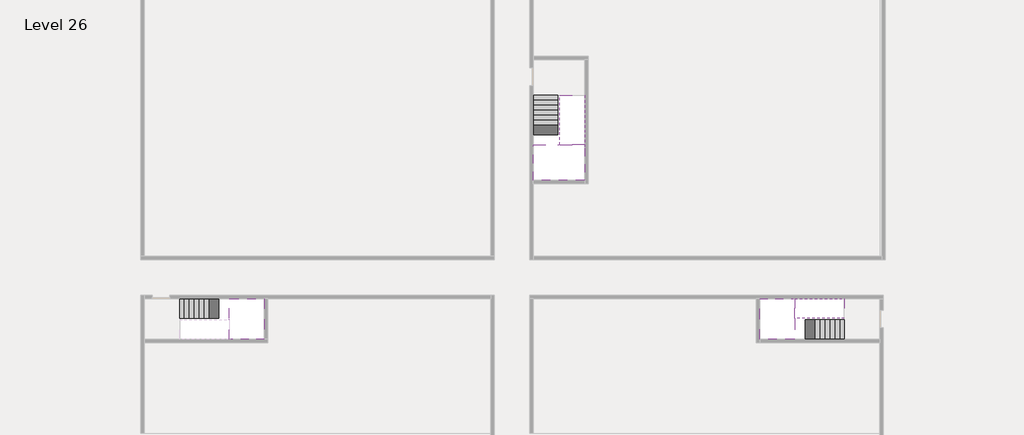
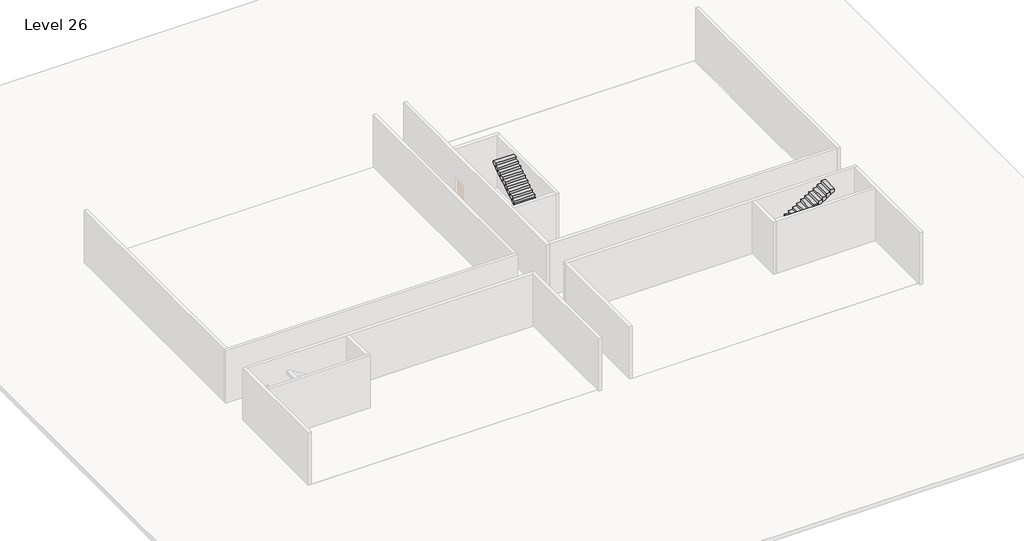
# One storey, part 2 of 2: 5 stair flights, 3 slabs.
"""IFC4 building model written with IfcOpenShell, lengths in millimetres."""

from ifc_helpers import new_model, si_unit, origin, place, context, project, spatial, faceted_brep, element, save

model = new_model("IFC4")

# Units and contexts
model_context = context("Model", 3, world=origin())
ifc_project = project(units=[si_unit("LENGTHUNIT", "METRE", prefix="MILLI")], contexts=[model_context])

# Site, building, storey
site = spatial("IfcSite", under=ifc_project)
building = spatial("IfcBuilding", under=site)
storey = spatial("IfcBuildingStorey", under=building, Name="Level 26", Elevation=95000.0)

# Slabs
placement = place(None, origin())
element("IfcSlab", 1, at=placement, inside=storey, context=model_context, shape_type="Brep", body=[
    faceted_brep([(8190.1058784, -42918.09644, 96900.0), (8190.1058784, -44018.09644, 96900.0), (8190.1058784, -44118.09644, 96900.0), (8190.1058784, -45218.09644, 96900.0), (8390.7194421, -45218.09644, 96900.0), (10190.1058784, -45218.09644, 96900.0), (10190.1058784, -42918.09644, 96900.0), (8269.4923146, -42918.09644, 96900.0), (8190.1058784, -42918.09644, 96727.2727273), (8190.1058784, -42918.09644, 96551.0278478), (8190.1058784, -44018.09644, 96551.0278478), (8190.1058784, -44018.09644, 96600.0), (8190.1058784, -44118.09644, 96600.0), (8190.1058784, -44118.09644, 96723.7551205), (8190.1058784, -45218.09644, 96723.7551205), (8390.7194421, -45218.09644, 96600.0), (10190.1058784, -45218.09644, 96600.0), (10190.1058784, -42918.09644, 96600.0), (8269.4923146, -42918.09644, 96600.0), (8390.7194421, -44118.09644, 96600.0), (8269.4923146, -44018.09644, 96600.0)], [[[0, 1, 2, 3, 4, 5, 6, 7]], [[1, 0, 8, 9, 10, 11]], [[2, 1, 11, 12, 13]], [[3, 2, 13, 14]], [[3, 14, 15, 16, 5, 4]], [[6, 5, 16, 17]], [[9, 8, 0, 7, 6, 17, 18]], [[19, 12, 11, 20, 18, 17, 16, 15]], [[12, 19, 13]], [[18, 20, 10, 9]], [[20, 11, 10]], [[19, 15, 14, 13]]]),
])
element("IfcSlab", 2, at=placement, inside=storey, context=model_context, shape_type="Brep", body=[
    faceted_brep([(40190.1058784, -45218.09644, 96900.0), (40190.1058784, -44118.09644, 96900.0), (40190.1058784, -44018.09644, 96900.0), (40190.1058784, -42918.09644, 96900.0), (39989.4923146, -42918.09644, 96900.0), (38190.1058784, -42918.09644, 96900.0), (38190.1058784, -45218.09644, 96900.0), (40110.7194421, -45218.09644, 96900.0), (40190.1058784, -45218.09644, 96727.2727273), (40190.1058784, -45218.09644, 96551.0278478), (40190.1058784, -44118.09644, 96551.0278478), (40190.1058784, -44118.09644, 96600.0), (40190.1058784, -44018.09644, 96600.0), (40190.1058784, -44018.09644, 96723.7551205), (40190.1058784, -42918.09644, 96723.7551205), (39989.4923146, -42918.09644, 96600.0), (38190.1058784, -42918.09644, 96600.0), (38190.1058784, -45218.09644, 96600.0), (40110.7194421, -45218.09644, 96600.0), (39989.4923146, -44018.09644, 96600.0), (40110.7194421, -44118.09644, 96600.0)], [[[0, 1, 2, 3, 4, 5, 6, 7]], [[1, 0, 8, 9, 10, 11]], [[2, 1, 11, 12, 13]], [[3, 2, 13, 14]], [[3, 14, 15, 16, 5, 4]], [[6, 5, 16, 17]], [[9, 8, 0, 7, 6, 17, 18]], [[19, 12, 11, 20, 18, 17, 16, 15]], [[12, 19, 13]], [[18, 20, 10, 9]], [[20, 11, 10]], [[19, 15, 14, 13]]]),
])
element("IfcSlab", 3, at=placement, inside=storey, context=model_context, shape_type="Brep", body=[
    faceted_brep([(26790.1058784, -34218.09644, 96900.0), (25390.1058784, -34218.09644, 96900.0), (25390.1058784, -34297.4828763, 96900.0), (25390.1058784, -36218.09644, 96900.0), (28290.1058784, -36218.09644, 96900.0), (28290.1058784, -34418.7100038, 96900.0), (28290.1058784, -34218.09644, 96900.0), (26890.1058784, -34218.09644, 96900.0), (26790.1058784, -34218.09644, 96600.0), (26790.1058784, -34218.09644, 96551.0278478), (25390.1058784, -34218.09644, 96551.0278478), (25390.1058784, -34218.09644, 96727.2727273), (25390.1058784, -34297.4828763, 96600.0), (25390.1058784, -36218.09644, 96600.0), (28290.1058784, -36218.09644, 96600.0), (28290.1058784, -34418.7100038, 96600.0), (28290.1058784, -34218.09644, 96723.7551205), (26890.1058784, -34218.09644, 96723.7551205), (26890.1058784, -34218.09644, 96600.0), (26890.1058784, -34418.7100038, 96600.0), (26790.1058784, -34297.4828763, 96600.0)], [[[0, 1, 2, 3, 4, 5, 6, 7]], [[1, 0, 8, 9, 10, 11]], [[1, 11, 10, 12, 13, 3, 2]], [[4, 3, 13, 14]], [[4, 14, 15, 16, 6, 5]], [[7, 6, 16, 17]], [[0, 7, 17, 18, 8]], [[18, 19, 15, 14, 13, 12, 20, 8]], [[19, 18, 17]], [[20, 12, 10, 9]], [[8, 20, 9]], [[15, 19, 17, 16]]]),
])

# Stair flights
element("IfcStairFlight", 4, at=placement, inside=storey, context=model_context, shape_type="Brep", body=[
    faceted_brep([(5670.1058784, -42918.09644, 95172.7272727), (5390.1058784, -42918.09644, 95172.7272727), (5390.1058784, -44018.09644, 95172.7272727), (5670.1058784, -44018.09644, 95172.7272727), (5670.1058784, -42918.09644, 95000.0), (5390.1058784, -42918.09644, 95000.0), (5390.1058784, -44018.09644, 95000.0), (5670.1058784, -44018.09644, 95000.0), (5950.1058784, -42918.09644, 95345.4545455), (5670.1058784, -42918.09644, 95345.4545455), (5670.1058784, -44018.09644, 95345.4545455), (5950.1058784, -44018.09644, 95345.4545455), (5950.1058784, -42918.09644, 95169.209666), (5675.8081041, -42918.09644, 95000.0), (5675.8081041, -44018.09644, 95000.0), (5950.1058784, -44018.09644, 95169.209666), (6230.1058784, -42918.09644, 95518.1818182), (5950.1058784, -42918.09644, 95518.1818182), (5950.1058784, -44018.09644, 95518.1818182), (6230.1058784, -44018.09644, 95518.1818182), (6230.1058784, -42918.09644, 95341.9369387), (6230.1058784, -44018.09644, 95341.9369387), (6510.1058784, -42918.09644, 95690.9090909), (6230.1058784, -42918.09644, 95690.9090909), (6230.1058784, -44018.09644, 95690.9090909), (6510.1058784, -44018.09644, 95690.9090909), (6510.1058784, -42918.09644, 95514.6642114), (6510.1058784, -44018.09644, 95514.6642114), (6790.1058784, -42918.09644, 95863.6363636), (6510.1058784, -42918.09644, 95863.6363636), (6510.1058784, -44018.09644, 95863.6363636), (6790.1058784, -44018.09644, 95863.6363636), (6790.1058784, -42918.09644, 95687.3914841), (6790.1058784, -44018.09644, 95687.3914841), (7070.1058784, -42918.09644, 96036.3636364), (6790.1058784, -42918.09644, 96036.3636364), (6790.1058784, -44018.09644, 96036.3636364), (7070.1058784, -44018.09644, 96036.3636364), (7070.1058784, -42918.09644, 95860.1187569), (7070.1058784, -44018.09644, 95860.1187569), (7350.1058784, -42918.09644, 96209.0909091), (7070.1058784, -42918.09644, 96209.0909091), (7070.1058784, -44018.09644, 96209.0909091), (7350.1058784, -44018.09644, 96209.0909091), (7350.1058784, -42918.09644, 96032.8460296), (7350.1058784, -44018.09644, 96032.8460296), (7630.1058784, -42918.09644, 96381.8181818), (7350.1058784, -42918.09644, 96381.8181818), (7350.1058784, -44018.09644, 96381.8181818), (7630.1058784, -44018.09644, 96381.8181818), (7630.1058784, -42918.09644, 96205.5733023), (7630.1058784, -44018.09644, 96205.5733023), (7910.1058784, -42918.09644, 96554.5454545), (7630.1058784, -42918.09644, 96554.5454545), (7630.1058784, -44018.09644, 96554.5454545), (7910.1058784, -44018.09644, 96554.5454545), (7910.1058784, -42918.09644, 96378.3005751), (7910.1058784, -44018.09644, 96378.3005751), (8190.1058784, -42918.09644, 96727.2727273), (7910.1058784, -42918.09644, 96727.2727273), (7910.1058784, -44018.09644, 96727.2727273), (8190.1058784, -44018.09644, 96727.2727273), (8190.1058784, -42918.09644, 96551.0278478), (8190.1058784, -44018.09644, 96551.0278478), (8190.1058784, -44018.09644, 96600.0)], [[[0, 1, 2, 3]], [[1, 0, 4, 5]], [[2, 1, 5, 6]], [[3, 2, 6, 7]], [[8, 9, 10, 11]], [[4, 0, 9, 8, 12, 13]], [[0, 3, 10, 9]], [[3, 7, 14, 15, 11, 10]], [[16, 17, 18, 19]], [[17, 16, 20, 12, 8]], [[8, 11, 18, 17]], [[19, 18, 11, 15, 21]], [[22, 23, 24, 25]], [[23, 22, 26, 20, 16]], [[16, 19, 24, 23]], [[25, 24, 19, 21, 27]], [[28, 29, 30, 31]], [[29, 28, 32, 26, 22]], [[22, 25, 30, 29]], [[31, 30, 25, 27, 33]], [[34, 35, 36, 37]], [[35, 34, 38, 32, 28]], [[28, 31, 36, 35]], [[37, 36, 31, 33, 39]], [[40, 41, 42, 43]], [[41, 40, 44, 38, 34]], [[34, 37, 42, 41]], [[43, 42, 37, 39, 45]], [[46, 47, 48, 49]], [[47, 46, 50, 44, 40]], [[40, 43, 48, 47]], [[49, 48, 43, 45, 51]], [[52, 53, 54, 55]], [[53, 52, 56, 50, 46]], [[46, 49, 54, 53]], [[55, 54, 49, 51, 57]], [[58, 59, 60, 61]], [[59, 58, 62, 56, 52]], [[52, 55, 60, 59]], [[61, 60, 55, 57, 63, 64]], [[58, 61, 64, 63, 62]], [[5, 4, 13, 14, 7, 6]], [[14, 13, 12, 20, 26, 32, 38, 44, 50, 56, 62, 63, 57, 51, 45, 39, 33, 27, 21, 15]]]),
])
element("IfcStairFlight", 5, at=placement, inside=storey, context=model_context, shape_type="Brep", body=[
    faceted_brep([(42710.1058784, -45218.09644, 95172.7272727), (42990.1058784, -45218.09644, 95172.7272727), (42990.1058784, -44118.09644, 95172.7272727), (42710.1058784, -44118.09644, 95172.7272727), (42710.1058784, -45218.09644, 95000.0), (42990.1058784, -45218.09644, 95000.0), (42990.1058784, -44118.09644, 95000.0), (42710.1058784, -44118.09644, 95000.0), (42430.1058784, -45218.09644, 95345.4545455), (42710.1058784, -45218.09644, 95345.4545455), (42710.1058784, -44118.09644, 95345.4545455), (42430.1058784, -44118.09644, 95345.4545455), (42430.1058784, -45218.09644, 95169.209666), (42704.4036527, -45218.09644, 95000.0), (42704.4036527, -44118.09644, 95000.0), (42430.1058784, -44118.09644, 95169.209666), (42150.1058784, -45218.09644, 95518.1818182), (42430.1058784, -45218.09644, 95518.1818182), (42430.1058784, -44118.09644, 95518.1818182), (42150.1058784, -44118.09644, 95518.1818182), (42150.1058784, -45218.09644, 95341.9369387), (42150.1058784, -44118.09644, 95341.9369387), (41870.1058784, -45218.09644, 95690.9090909), (42150.1058784, -45218.09644, 95690.9090909), (42150.1058784, -44118.09644, 95690.9090909), (41870.1058784, -44118.09644, 95690.9090909), (41870.1058784, -45218.09644, 95514.6642114), (41870.1058784, -44118.09644, 95514.6642114), (41590.1058784, -45218.09644, 95863.6363636), (41870.1058784, -45218.09644, 95863.6363636), (41870.1058784, -44118.09644, 95863.6363636), (41590.1058784, -44118.09644, 95863.6363636), (41590.1058784, -45218.09644, 95687.3914841), (41590.1058784, -44118.09644, 95687.3914841), (41310.1058784, -45218.09644, 96036.3636364), (41590.1058784, -45218.09644, 96036.3636364), (41590.1058784, -44118.09644, 96036.3636364), (41310.1058784, -44118.09644, 96036.3636364), (41310.1058784, -45218.09644, 95860.1187569), (41310.1058784, -44118.09644, 95860.1187569), (41030.1058784, -45218.09644, 96209.0909091), (41310.1058784, -45218.09644, 96209.0909091), (41310.1058784, -44118.09644, 96209.0909091), (41030.1058784, -44118.09644, 96209.0909091), (41030.1058784, -45218.09644, 96032.8460296), (41030.1058784, -44118.09644, 96032.8460296), (40750.1058784, -45218.09644, 96381.8181818), (41030.1058784, -45218.09644, 96381.8181818), (41030.1058784, -44118.09644, 96381.8181818), (40750.1058784, -44118.09644, 96381.8181818), (40750.1058784, -45218.09644, 96205.5733023), (40750.1058784, -44118.09644, 96205.5733023), (40470.1058784, -45218.09644, 96554.5454545), (40750.1058784, -45218.09644, 96554.5454545), (40750.1058784, -44118.09644, 96554.5454545), (40470.1058784, -44118.09644, 96554.5454545), (40470.1058784, -45218.09644, 96378.3005751), (40470.1058784, -44118.09644, 96378.3005751), (40190.1058784, -45218.09644, 96727.2727273), (40470.1058784, -45218.09644, 96727.2727273), (40470.1058784, -44118.09644, 96727.2727273), (40190.1058784, -44118.09644, 96727.2727273), (40190.1058784, -45218.09644, 96551.0278478), (40190.1058784, -44118.09644, 96551.0278478), (40190.1058784, -44118.09644, 96600.0)], [[[0, 1, 2, 3]], [[1, 0, 4, 5]], [[2, 1, 5, 6]], [[3, 2, 6, 7]], [[8, 9, 10, 11]], [[4, 0, 9, 8, 12, 13]], [[0, 3, 10, 9]], [[3, 7, 14, 15, 11, 10]], [[16, 17, 18, 19]], [[17, 16, 20, 12, 8]], [[8, 11, 18, 17]], [[19, 18, 11, 15, 21]], [[22, 23, 24, 25]], [[23, 22, 26, 20, 16]], [[16, 19, 24, 23]], [[25, 24, 19, 21, 27]], [[28, 29, 30, 31]], [[29, 28, 32, 26, 22]], [[22, 25, 30, 29]], [[31, 30, 25, 27, 33]], [[34, 35, 36, 37]], [[35, 34, 38, 32, 28]], [[28, 31, 36, 35]], [[37, 36, 31, 33, 39]], [[40, 41, 42, 43]], [[41, 40, 44, 38, 34]], [[34, 37, 42, 41]], [[43, 42, 37, 39, 45]], [[46, 47, 48, 49]], [[47, 46, 50, 44, 40]], [[40, 43, 48, 47]], [[49, 48, 43, 45, 51]], [[52, 53, 54, 55]], [[53, 52, 56, 50, 46]], [[46, 49, 54, 53]], [[55, 54, 49, 51, 57]], [[58, 59, 60, 61]], [[59, 58, 62, 56, 52]], [[52, 55, 60, 59]], [[61, 60, 55, 57, 63, 64]], [[58, 61, 64, 63, 62]], [[5, 4, 13, 14, 7, 6]], [[14, 13, 12, 20, 26, 32, 38, 44, 50, 56, 62, 63, 57, 51, 45, 39, 33, 27, 21, 15]]]),
])
element("IfcStairFlight", 6, at=placement, inside=storey, context=model_context, shape_type="Brep", body=[
    faceted_brep([(40470.1058784, -42918.09644, 97072.7272727), (40190.1058784, -42918.09644, 97072.7272727), (40190.1058784, -44018.09644, 97072.7272727), (40470.1058784, -44018.09644, 97072.7272727), (40470.1058784, -42918.09644, 96896.4823932), (40190.1058784, -42918.09644, 96723.7551205), (40190.1058784, -42918.09644, 96900.0), (40190.1058784, -44018.09644, 96723.7551205), (40470.1058784, -44018.09644, 96896.4823932), (40750.1058784, -42918.09644, 97245.4545455), (40470.1058784, -42918.09644, 97245.4545455), (40470.1058784, -44018.09644, 97245.4545455), (40750.1058784, -44018.09644, 97245.4545455), (40750.1058784, -42918.09644, 97069.209666), (40750.1058784, -44018.09644, 97069.209666), (41030.1058784, -42918.09644, 97418.1818182), (40750.1058784, -42918.09644, 97418.1818182), (40750.1058784, -44018.09644, 97418.1818182), (41030.1058784, -44018.09644, 97418.1818182), (41030.1058784, -42918.09644, 97241.9369387), (41030.1058784, -44018.09644, 97241.9369387), (41310.1058784, -42918.09644, 97590.9090909), (41030.1058784, -42918.09644, 97590.9090909), (41030.1058784, -44018.09644, 97590.9090909), (41310.1058784, -44018.09644, 97590.9090909), (41310.1058784, -42918.09644, 97414.6642114), (41310.1058784, -44018.09644, 97414.6642114), (41590.1058784, -42918.09644, 97763.6363636), (41310.1058784, -42918.09644, 97763.6363636), (41310.1058784, -44018.09644, 97763.6363636), (41590.1058784, -44018.09644, 97763.6363636), (41590.1058784, -42918.09644, 97587.3914841), (41590.1058784, -44018.09644, 97587.3914841), (41870.1058784, -42918.09644, 97936.3636364), (41590.1058784, -42918.09644, 97936.3636364), (41590.1058784, -44018.09644, 97936.3636364), (41870.1058784, -44018.09644, 97936.3636364), (41870.1058784, -42918.09644, 97760.1187569), (41870.1058784, -44018.09644, 97760.1187569), (42150.1058784, -42918.09644, 98109.0909091), (41870.1058784, -42918.09644, 98109.0909091), (41870.1058784, -44018.09644, 98109.0909091), (42150.1058784, -44018.09644, 98109.0909091), (42150.1058784, -42918.09644, 97932.8460296), (42150.1058784, -44018.09644, 97932.8460296), (42430.1058784, -42918.09644, 98281.8181818), (42150.1058784, -42918.09644, 98281.8181818), (42150.1058784, -44018.09644, 98281.8181818), (42430.1058784, -44018.09644, 98281.8181818), (42430.1058784, -42918.09644, 98105.5733023), (42430.1058784, -44018.09644, 98105.5733023), (42710.1058784, -42918.09644, 98454.5454545), (42430.1058784, -42918.09644, 98454.5454545), (42430.1058784, -44018.09644, 98454.5454545), (42710.1058784, -44018.09644, 98454.5454545), (42710.1058784, -42918.09644, 98278.3005751), (42710.1058784, -44018.09644, 98278.3005751), (42990.1058784, -42918.09644, 98627.2727273), (42710.1058784, -42918.09644, 98627.2727273), (42710.1058784, -44018.09644, 98627.2727273), (42990.1058784, -44018.09644, 98627.2727273), (42990.1058784, -42918.09644, 98451.0278478), (42990.1058784, -44018.09644, 98451.0278478)], [[[0, 1, 2, 3]], [[1, 0, 4, 5, 6]], [[2, 1, 6, 5, 7]], [[3, 2, 7, 8]], [[9, 10, 11, 12]], [[10, 9, 13, 4, 0]], [[11, 10, 0, 3]], [[12, 11, 3, 8, 14]], [[15, 16, 17, 18]], [[16, 15, 19, 13, 9]], [[17, 16, 9, 12]], [[18, 17, 12, 14, 20]], [[21, 22, 23, 24]], [[22, 21, 25, 19, 15]], [[23, 22, 15, 18]], [[24, 23, 18, 20, 26]], [[27, 28, 29, 30]], [[28, 27, 31, 25, 21]], [[29, 28, 21, 24]], [[30, 29, 24, 26, 32]], [[33, 34, 35, 36]], [[34, 33, 37, 31, 27]], [[35, 34, 27, 30]], [[36, 35, 30, 32, 38]], [[39, 40, 41, 42]], [[40, 39, 43, 37, 33]], [[41, 40, 33, 36]], [[42, 41, 36, 38, 44]], [[45, 46, 47, 48]], [[46, 45, 49, 43, 39]], [[47, 46, 39, 42]], [[48, 47, 42, 44, 50]], [[51, 52, 53, 54]], [[52, 51, 55, 49, 45]], [[53, 52, 45, 48]], [[54, 53, 48, 50, 56]], [[57, 58, 59, 60]], [[58, 57, 61, 55, 51]], [[59, 58, 51, 54]], [[60, 59, 54, 56, 62]], [[57, 60, 62, 61]], [[5, 4, 13, 19, 25, 31, 37, 43, 49, 55, 61, 62, 56, 50, 44, 38, 32, 26, 20, 14, 8, 7]]]),
])
element("IfcStairFlight", 7, at=placement, inside=storey, context=model_context, shape_type="Brep", body=[
    faceted_brep([(26790.1058784, -31698.09644, 95172.7272727), (26790.1058784, -31418.09644, 95172.7272727), (25390.1058784, -31418.09644, 95172.7272727), (25390.1058784, -31698.09644, 95172.7272727), (26790.1058784, -31698.09644, 95000.0), (26790.1058784, -31418.09644, 95000.0), (25390.1058784, -31418.09644, 95000.0), (25390.1058784, -31698.09644, 95000.0), (26790.1058784, -31978.09644, 95345.4545455), (26790.1058784, -31698.09644, 95345.4545455), (25390.1058784, -31698.09644, 95345.4545455), (25390.1058784, -31978.09644, 95345.4545455), (26790.1058784, -31978.09644, 95169.209666), (26790.1058784, -31703.7986657, 95000.0), (25390.1058784, -31703.7986657, 95000.0), (25390.1058784, -31978.09644, 95169.209666), (26790.1058784, -32258.09644, 95518.1818182), (26790.1058784, -31978.09644, 95518.1818182), (25390.1058784, -31978.09644, 95518.1818182), (25390.1058784, -32258.09644, 95518.1818182), (26790.1058784, -32258.09644, 95341.9369387), (25390.1058784, -32258.09644, 95341.9369387), (26790.1058784, -32538.09644, 95690.9090909), (26790.1058784, -32258.09644, 95690.9090909), (25390.1058784, -32258.09644, 95690.9090909), (25390.1058784, -32538.09644, 95690.9090909), (26790.1058784, -32538.09644, 95514.6642114), (25390.1058784, -32538.09644, 95514.6642114), (26790.1058784, -32818.09644, 95863.6363636), (26790.1058784, -32538.09644, 95863.6363636), (25390.1058784, -32538.09644, 95863.6363636), (25390.1058784, -32818.09644, 95863.6363636), (26790.1058784, -32818.09644, 95687.3914841), (25390.1058784, -32818.09644, 95687.3914841), (26790.1058784, -33098.09644, 96036.3636364), (26790.1058784, -32818.09644, 96036.3636364), (25390.1058784, -32818.09644, 96036.3636364), (25390.1058784, -33098.09644, 96036.3636364), (26790.1058784, -33098.09644, 95860.1187569), (25390.1058784, -33098.09644, 95860.1187569), (26790.1058784, -33378.09644, 96209.0909091), (26790.1058784, -33098.09644, 96209.0909091), (25390.1058784, -33098.09644, 96209.0909091), (25390.1058784, -33378.09644, 96209.0909091), (26790.1058784, -33378.09644, 96032.8460296), (25390.1058784, -33378.09644, 96032.8460296), (26790.1058784, -33658.09644, 96381.8181818), (26790.1058784, -33378.09644, 96381.8181818), (25390.1058784, -33378.09644, 96381.8181818), (25390.1058784, -33658.09644, 96381.8181818), (26790.1058784, -33658.09644, 96205.5733023), (25390.1058784, -33658.09644, 96205.5733023), (26790.1058784, -33938.09644, 96554.5454545), (26790.1058784, -33658.09644, 96554.5454545), (25390.1058784, -33658.09644, 96554.5454545), (25390.1058784, -33938.09644, 96554.5454545), (26790.1058784, -33938.09644, 96378.3005751), (25390.1058784, -33938.09644, 96378.3005751), (26790.1058784, -34218.09644, 96727.2727273), (26790.1058784, -33938.09644, 96727.2727273), (25390.1058784, -33938.09644, 96727.2727273), (25390.1058784, -34218.09644, 96727.2727273), (26790.1058784, -34218.09644, 96600.0), (26790.1058784, -34218.09644, 96551.0278478), (25390.1058784, -34218.09644, 96551.0278478)], [[[0, 1, 2, 3]], [[1, 0, 4, 5]], [[2, 1, 5, 6]], [[3, 2, 6, 7]], [[8, 9, 10, 11]], [[4, 0, 9, 8, 12, 13]], [[0, 3, 10, 9]], [[3, 7, 14, 15, 11, 10]], [[16, 17, 18, 19]], [[17, 16, 20, 12, 8]], [[8, 11, 18, 17]], [[19, 18, 11, 15, 21]], [[22, 23, 24, 25]], [[23, 22, 26, 20, 16]], [[16, 19, 24, 23]], [[25, 24, 19, 21, 27]], [[28, 29, 30, 31]], [[29, 28, 32, 26, 22]], [[22, 25, 30, 29]], [[31, 30, 25, 27, 33]], [[34, 35, 36, 37]], [[35, 34, 38, 32, 28]], [[28, 31, 36, 35]], [[37, 36, 31, 33, 39]], [[40, 41, 42, 43]], [[41, 40, 44, 38, 34]], [[34, 37, 42, 41]], [[43, 42, 37, 39, 45]], [[46, 47, 48, 49]], [[47, 46, 50, 44, 40]], [[40, 43, 48, 47]], [[49, 48, 43, 45, 51]], [[52, 53, 54, 55]], [[53, 52, 56, 50, 46]], [[46, 49, 54, 53]], [[55, 54, 49, 51, 57]], [[58, 59, 60, 61]], [[59, 58, 62, 63, 56, 52]], [[52, 55, 60, 59]], [[61, 60, 55, 57, 64]], [[58, 61, 64, 63, 62]], [[5, 4, 13, 14, 7, 6]], [[14, 13, 12, 20, 26, 32, 38, 44, 50, 56, 63, 64, 57, 51, 45, 39, 33, 27, 21, 15]]]),
])
element("IfcStairFlight", 8, at=placement, inside=storey, context=model_context, shape_type="Brep", body=[
    faceted_brep([(26890.1058784, -33938.09644, 97072.7272727), (26890.1058784, -34218.09644, 97072.7272727), (28290.1058784, -34218.09644, 97072.7272727), (28290.1058784, -33938.09644, 97072.7272727), (26890.1058784, -33938.09644, 96896.4823932), (26890.1058784, -34218.09644, 96723.7551205), (28290.1058784, -34218.09644, 96723.7551205), (28290.1058784, -34218.09644, 96900.0), (28290.1058784, -33938.09644, 96896.4823932), (26890.1058784, -33658.09644, 97245.4545455), (26890.1058784, -33938.09644, 97245.4545455), (28290.1058784, -33938.09644, 97245.4545455), (28290.1058784, -33658.09644, 97245.4545455), (26890.1058784, -33658.09644, 97069.209666), (28290.1058784, -33658.09644, 97069.209666), (26890.1058784, -33378.09644, 97418.1818182), (26890.1058784, -33658.09644, 97418.1818182), (28290.1058784, -33658.09644, 97418.1818182), (28290.1058784, -33378.09644, 97418.1818182), (26890.1058784, -33378.09644, 97241.9369387), (28290.1058784, -33378.09644, 97241.9369387), (26890.1058784, -33098.09644, 97590.9090909), (26890.1058784, -33378.09644, 97590.9090909), (28290.1058784, -33378.09644, 97590.9090909), (28290.1058784, -33098.09644, 97590.9090909), (26890.1058784, -33098.09644, 97414.6642114), (28290.1058784, -33098.09644, 97414.6642114), (26890.1058784, -32818.09644, 97763.6363636), (26890.1058784, -33098.09644, 97763.6363636), (28290.1058784, -33098.09644, 97763.6363636), (28290.1058784, -32818.09644, 97763.6363636), (26890.1058784, -32818.09644, 97587.3914841), (28290.1058784, -32818.09644, 97587.3914841), (26890.1058784, -32538.09644, 97936.3636364), (26890.1058784, -32818.09644, 97936.3636364), (28290.1058784, -32818.09644, 97936.3636364), (28290.1058784, -32538.09644, 97936.3636364), (26890.1058784, -32538.09644, 97760.1187569), (28290.1058784, -32538.09644, 97760.1187569), (26890.1058784, -32258.09644, 98109.0909091), (26890.1058784, -32538.09644, 98109.0909091), (28290.1058784, -32538.09644, 98109.0909091), (28290.1058784, -32258.09644, 98109.0909091), (26890.1058784, -32258.09644, 97932.8460296), (28290.1058784, -32258.09644, 97932.8460296), (26890.1058784, -31978.09644, 98281.8181818), (26890.1058784, -32258.09644, 98281.8181818), (28290.1058784, -32258.09644, 98281.8181818), (28290.1058784, -31978.09644, 98281.8181818), (26890.1058784, -31978.09644, 98105.5733023), (28290.1058784, -31978.09644, 98105.5733023), (26890.1058784, -31698.09644, 98454.5454545), (26890.1058784, -31978.09644, 98454.5454545), (28290.1058784, -31978.09644, 98454.5454545), (28290.1058784, -31698.09644, 98454.5454545), (26890.1058784, -31698.09644, 98278.3005751), (28290.1058784, -31698.09644, 98278.3005751), (26890.1058784, -31418.09644, 98627.2727273), (26890.1058784, -31698.09644, 98627.2727273), (28290.1058784, -31698.09644, 98627.2727273), (28290.1058784, -31418.09644, 98627.2727273), (26890.1058784, -31418.09644, 98451.0278478), (28290.1058784, -31418.09644, 98451.0278478)], [[[0, 1, 2, 3]], [[1, 0, 4, 5]], [[2, 1, 5, 6, 7]], [[3, 2, 7, 6, 8]], [[9, 10, 11, 12]], [[10, 9, 13, 4, 0]], [[11, 10, 0, 3]], [[12, 11, 3, 8, 14]], [[15, 16, 17, 18]], [[16, 15, 19, 13, 9]], [[17, 16, 9, 12]], [[18, 17, 12, 14, 20]], [[21, 22, 23, 24]], [[22, 21, 25, 19, 15]], [[23, 22, 15, 18]], [[24, 23, 18, 20, 26]], [[27, 28, 29, 30]], [[28, 27, 31, 25, 21]], [[29, 28, 21, 24]], [[30, 29, 24, 26, 32]], [[33, 34, 35, 36]], [[34, 33, 37, 31, 27]], [[35, 34, 27, 30]], [[36, 35, 30, 32, 38]], [[39, 40, 41, 42]], [[40, 39, 43, 37, 33]], [[41, 40, 33, 36]], [[42, 41, 36, 38, 44]], [[45, 46, 47, 48]], [[46, 45, 49, 43, 39]], [[47, 46, 39, 42]], [[48, 47, 42, 44, 50]], [[51, 52, 53, 54]], [[52, 51, 55, 49, 45]], [[53, 52, 45, 48]], [[54, 53, 48, 50, 56]], [[57, 58, 59, 60]], [[58, 57, 61, 55, 51]], [[59, 58, 51, 54]], [[60, 59, 54, 56, 62]], [[57, 60, 62, 61]], [[5, 4, 13, 19, 25, 31, 37, 43, 49, 55, 61, 62, 56, 50, 44, 38, 32, 26, 20, 14, 8, 6]]]),
])

save(model, "model.ifc")
